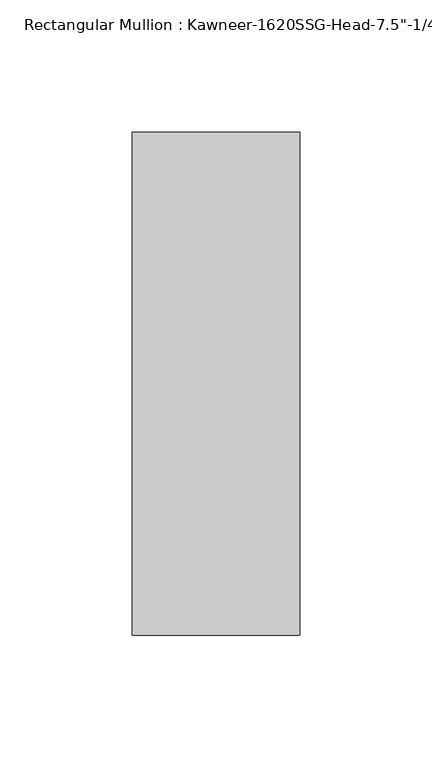
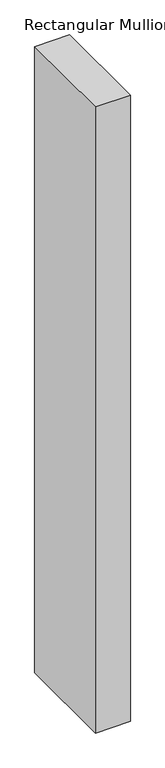
"""IFC4 building model written with IfcOpenShell, lengths in millimetres: member geometry."""

from ifc_helpers import new_model, si_unit, frame, origin, place, context, project, spatial, polyline, outline, extrude, source, transform, mapped, element, save


def member_d96a0edf(model_context):
    return source(origin(), model_context, "Body", "SweptSolid", [
        extrude(outline(polyline([(-63.5, 28.575), (0.0, 28.575), (0.0, -161.925), (-63.5, -161.925), (-63.5, 28.575)])), frame((0.0, 0.0, -1201.0182369), z_axis=(0.0, 0.0, 1.0), x_axis=(1.0, 0.0, 0.0)), (0.0, 0.0, 1.0), 1201.0182369),
    ])


if __name__ == "__main__":
    model = new_model("IFC4")
    model_context = context("Model", 3, world=origin())
    ifc_project = project(units=[si_unit("LENGTHUNIT", "METRE", prefix="MILLI")], contexts=[model_context])
    site = spatial("IfcSite", under=ifc_project)
    building = spatial("IfcBuilding", under=site)
    placement = place(None, origin())
    member_shape = member_d96a0edf(model_context)
    element("IfcMember", 1, ObjectType="Rectangular Mullion : Kawneer-1620SSG-Head-7.5\"-1/4\"Infill-1C", at=placement, inside=building, context=model_context, shape_type="MappedRepresentation", body=[
        mapped(member_shape, transform((0.0, 0.0, 0.0), x_axis=(1.0, 0.0, 0.0), y_axis=(0.0, 1.0, 0.0), z_axis=(0.0, 0.0, 1.0))),
    ])
    save(model, "model.ifc")
